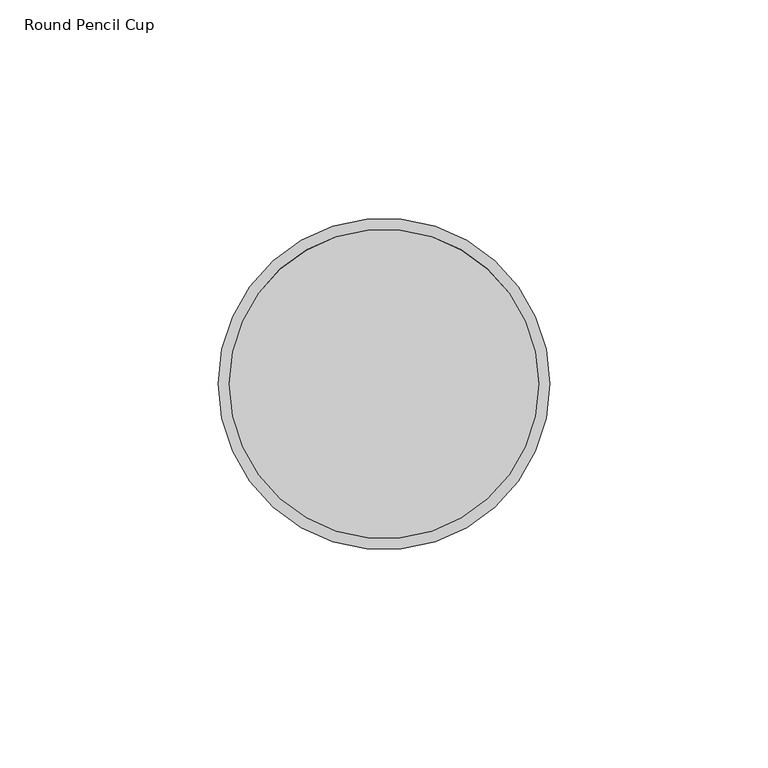
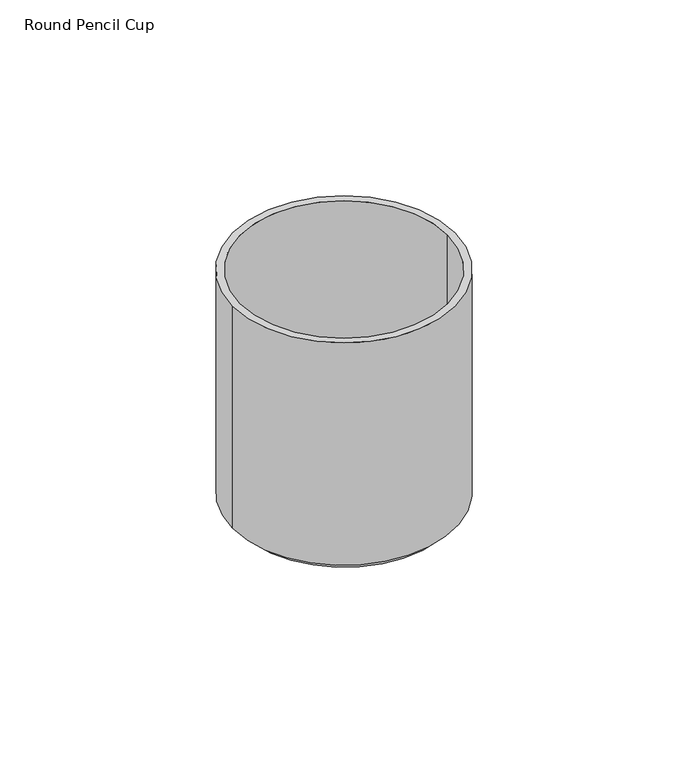
"""IFC4 building model written with IfcOpenShell, lengths in millimetres: furniture geometry, Round Pencil Cup."""

from ifc_helpers import new_model, si_unit, frame, origin, place, context, project, spatial, polyline, circle_curve, source, transform, mapped, element, save
from ifc_brep_helpers import plane_surface, cylinder_surface, revolved_surface, advanced_brep


def round_pencil_cup_c875a0fd(model_context):
    return source(origin(), model_context, "Body", "AdvancedBrep", [
        advanced_brep(
        [(0.0, -37.9984, 819.5056), (75.9968, -37.9984, 819.5056), (73.4568, -37.9984, 819.5056), (2.54, -37.9984, 819.5056), (73.4568, -37.9984, 736.6), (2.54, -37.9984, 736.6), (0.0, -37.9984, 739.14), (75.9968, -37.9984, 739.14), (73.4568, -37.9984, 739.14), (2.54, -37.9984, 739.14), (2.54, -37.9984, 739.14), (73.4568, -37.9984, 739.14)],
        [
            (0, 1, circle_curve(frame((37.9984, -37.9984, 819.5056), z_axis=(0.0, 0.0, 1.0), x_axis=(1.0, 0.0, 0.0)), 37.9984)),
            (1, 0, circle_curve(frame((37.9984, -37.9984, 819.5056), z_axis=(0.0, 0.0, 1.0), x_axis=(1.0, 0.0, 0.0)), 37.9984)),
            (2, 3, circle_curve(frame((37.9984, -37.9984, 819.5056), z_axis=(0.0, 0.0, -1.0), x_axis=(1.0, 0.0, 0.0)), 35.4584)),
            (3, 2, circle_curve(frame((37.9984, -37.9984, 819.5056), z_axis=(0.0, 0.0, -1.0), x_axis=(1.0, 0.0, 0.0)), 35.4584)),
            (4, 5, circle_curve(frame((37.9984, -37.9984, 736.6), z_axis=(0.0, 0.0, -1.0), x_axis=(-1.0, 0.0, 0.0)), 35.4584)),
            (5, 4, circle_curve(frame((37.9984, -37.9984, 736.6), z_axis=(0.0, 0.0, -1.0), x_axis=(1.0, 0.0, 0.0)), 35.4584)),
            (0, 6),
            (6, 7, circle_curve(frame((37.9984, -37.9984, 739.14), z_axis=(0.0, 0.0, 1.0), x_axis=(1.0, 0.0, 0.0)), 37.9984)),
            (7, 1),
            (7, 6, circle_curve(frame((37.9984, -37.9984, 739.14), z_axis=(0.0, 0.0, 1.0), x_axis=(1.0, 0.0, 0.0)), 37.9984)),
            (4, 8),
            (8, 9, circle_curve(frame((37.9984, -37.9984, 739.14), z_axis=(0.0, 0.0, -1.0), x_axis=(-1.0, 0.0, 0.0)), 35.4584)),
            (9, 5),
            (8, 9, circle_curve(frame((37.9984, -37.9984, 739.14), z_axis=(0.0, 0.0, 1.0), x_axis=(1.0, 0.0, 0.0)), 35.4584)),
            (10, 11, circle_curve(frame((37.9984, -37.9984, 739.14), z_axis=(0.0, 0.0, 1.0), x_axis=(1.0, 0.0, 0.0)), 35.4584)),
            (11, 10, circle_curve(frame((37.9984, -37.9984, 739.14), z_axis=(0.0, 0.0, 1.0), x_axis=(1.0, 0.0, 0.0)), 35.4584)),
            (10, 3),
            (2, 11),
        ],
        [
            plane_surface(frame((75.9968, -37.9984, 819.5056), z_axis=(0.0, 0.0, 1.0), x_axis=(0.0, 1.0, 0.0))),
            plane_surface(frame((75.9968, -37.9984, 736.6), z_axis=(0.0, 0.0, -1.0), x_axis=(0.0, -1.0, 0.0))),
            cylinder_surface(frame((37.9984, -37.9984, 736.6), z_axis=(0.0, 0.0, 1.0), x_axis=(1.0, 0.0, 0.0)), 37.9984),
            cylinder_surface(frame((37.9984, -37.9984, 736.6), z_axis=(0.0, 0.0, 1.0), x_axis=(-1.0, 0.0, 0.0)), 35.4584),
            plane_surface(frame((37.9984, -37.9984, 739.14), z_axis=(0.0, 0.0, -1.0), x_axis=(1.0, 0.0, 0.0))),
            cylinder_surface(frame((37.9984, -37.9984, 736.6), z_axis=(0.0, 0.0, 1.0), x_axis=(1.0, 0.0, 0.0)), 35.4584),
            plane_surface(frame((73.4568, -37.9984, 739.14), z_axis=(0.0, 0.0, 1.0), x_axis=(0.0, -1.0, 0.0))),
            revolved_surface(polyline([(73.45679999999999, -37.9984, 819.5056), (73.45679999999999, -37.9984, 739.14)]), (37.9984, -37.9984, 739.14), (0.0, 0.0, 1.0)),
        ],
        [
            (0, [[1, 2], [3, 4]]),
            (1, [[5, 6]]),
            (2, [[-1, 7, 8, 9]]),
            (2, [[-2, -9, 10, -7]]),
            (3, [[11, 12, 13, -5]]),
            (4, [[-8, -10], [-12, 14]]),
            (5, [[-11, -6, -13, -14]]),
            (6, [[15, 16]]),
            (7, [[-15, 17, -3, 18]]),
            (7, [[-16, -18, -4, -17]]),
        ],
    ),
    ])


if __name__ == "__main__":
    model = new_model("IFC4")
    model_context = context("Model", 3, world=origin())
    ifc_project = project(units=[si_unit("LENGTHUNIT", "METRE", prefix="MILLI")], contexts=[model_context])
    site = spatial("IfcSite", under=ifc_project)
    building = spatial("IfcBuilding", under=site)
    placement = place(None, origin())
    round_pencil_cup_shape = round_pencil_cup_c875a0fd(model_context)
    element("IfcFurniture", 1, ObjectType="Round Pencil Cup", at=placement, inside=building, context=model_context, shape_type="MappedRepresentation", body=[
        mapped(round_pencil_cup_shape, transform((0.0, 0.0, 0.0), x_axis=(1.0, 0.0, 0.0), y_axis=(0.0, 1.0, 0.0), z_axis=(0.0, 0.0, 1.0))),
    ])
    save(model, "model.ifc")
